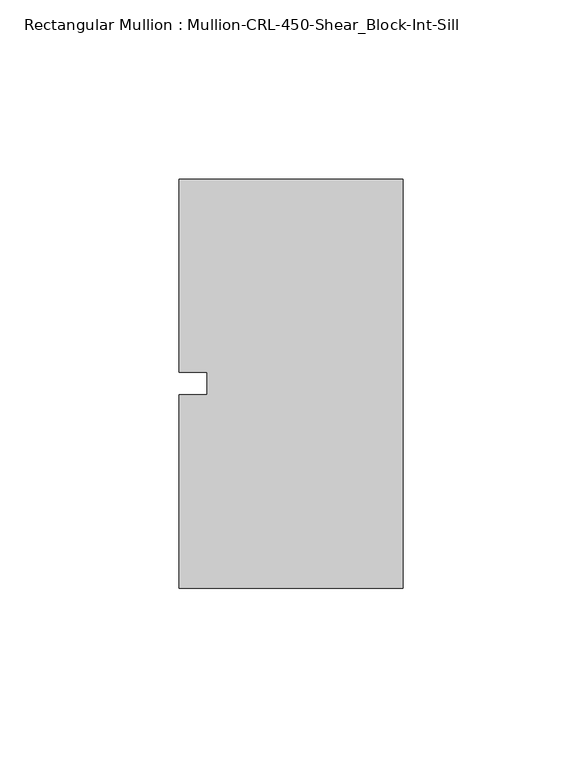
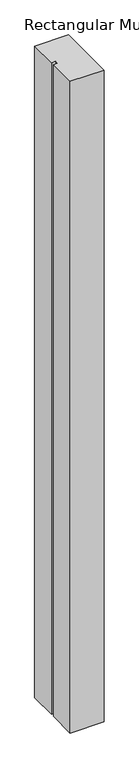
"""IFC4 building model written with IfcOpenShell, lengths in millimetres: member geometry, Rectangular Mullion : Mullion-CRL-450-Shear_Block-Int-Sill."""

from ifc_helpers import new_model, si_unit, frame, origin, place, context, project, spatial, polyline, outline, extrude, source, transform, mapped, element, save


def rectangular_mullion_mullion_crl_450_shear_block_int_sill_e939b744(model_context):
    return source(origin(), model_context, "Body", "SweptSolid", [
        extrude(outline(polyline([(-62.70625, -3.175), (-54.76875, -3.175), (-54.76875, 3.175), (-62.70625, 3.175), (-62.70625, 57.15), (0.0, 57.15), (0.0, -57.15), (-62.70625, -57.15), (-62.70625, -3.175)])), frame((0.0, 0.0, -1278.4666667), z_axis=(0.0, 0.0, 1.0), x_axis=(1.0, 0.0, 0.0)), (0.0, 0.0, 1.0), 1278.4666667),
    ])


if __name__ == "__main__":
    model = new_model("IFC4")
    model_context = context("Model", 3, world=origin())
    ifc_project = project(units=[si_unit("LENGTHUNIT", "METRE", prefix="MILLI")], contexts=[model_context])
    site = spatial("IfcSite", under=ifc_project)
    building = spatial("IfcBuilding", under=site)
    placement = place(None, origin())
    rectangular_mullion_mullion_crl_450_shear_block_int_sill_shape = rectangular_mullion_mullion_crl_450_shear_block_int_sill_e939b744(model_context)
    element("IfcMember", 1, ObjectType="Rectangular Mullion : Mullion-CRL-450-Shear_Block-Int-Sill", at=placement, inside=building, context=model_context, shape_type="MappedRepresentation", body=[
        mapped(rectangular_mullion_mullion_crl_450_shear_block_int_sill_shape, transform((0.0, 0.0, 0.0), x_axis=(1.0, 0.0, 0.0), y_axis=(0.0, 1.0, 0.0), z_axis=(0.0, 0.0, 1.0))),
    ])
    save(model, "model.ifc")
